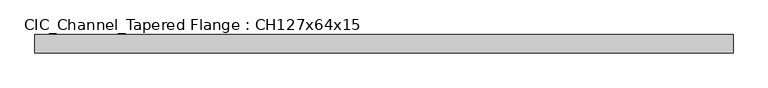
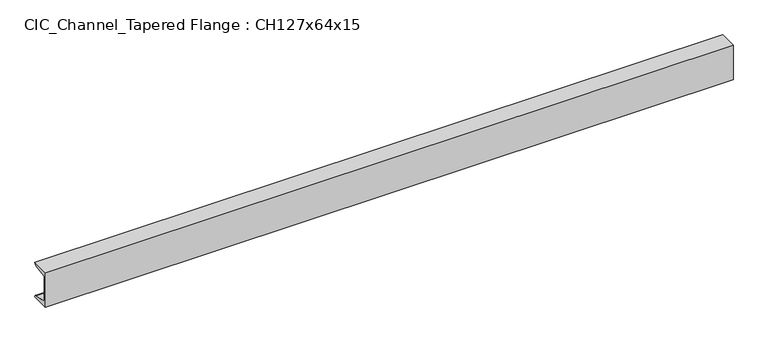
"""IFC4 building model written with IfcOpenShell, lengths in millimetres: beam geometry, CIC_Channel_Tapered Flange : CH127x64x15."""

from ifc_helpers import new_model, si_unit, point, frame, frame_2d, origin, place, context, project, spatial, polyline, circle_curve, trimmed, segment, composite_curve, outline, extrude, source, transform, mapped, element, save


def cic_channel_tapered_flange_ch127x64x15_d296bc78(model_context):
    return source(origin(), model_context, "Body", "SweptSolid", [
        extrude(outline(composite_curve([segment(polyline([(-19.4, 63.5), (44.1, 63.5)]), True, "CONTINUOUS"), segment(trimmed(circle_curve(frame_2d((34.9, 63.5)), 9.2), [point((44.1, 63.5))], [point((34.9, 54.3))], False, "CARTESIAN"), True, "CONTINUOUS"), segment(polyline([(34.9, 54.3), (-13.0, 46.7133853), (-13.0, -46.7133853), (34.9, -54.3)]), True, "CONTINUOUS"), segment(trimmed(circle_curve(frame_2d((34.9, -63.5)), 9.2), [point((34.9, -54.3))], [point((44.1, -63.5))], False, "CARTESIAN"), True, "CONTINUOUS"), segment(polyline([(44.1, -63.5), (-19.4, -63.5), (-19.4, 63.5)]), True, "CONTINUOUS")], self_intersect=False)), frame((-1198.55, 0.0, 0.0), z_axis=(1.0, 0.0, 0.0), x_axis=(0.0, 1.0, 0.0)), (0.0, 0.0, 1.0), 2397.1),
    ])


if __name__ == "__main__":
    model = new_model("IFC4")
    model_context = context("Model", 3, world=origin())
    ifc_project = project(units=[si_unit("LENGTHUNIT", "METRE", prefix="MILLI")], contexts=[model_context])
    site = spatial("IfcSite", under=ifc_project)
    building = spatial("IfcBuilding", under=site)
    placement = place(None, origin())
    cic_channel_tapered_flange_ch127x64x15_shape = cic_channel_tapered_flange_ch127x64x15_d296bc78(model_context)
    element("IfcBeam", 1, ObjectType="CIC_Channel_Tapered Flange : CH127x64x15", at=placement, inside=building, context=model_context, shape_type="MappedRepresentation", body=[
        mapped(cic_channel_tapered_flange_ch127x64x15_shape, transform((0.0, 0.0, 0.0), x_axis=(1.0, 0.0, 0.0), y_axis=(0.0, 1.0, 0.0), z_axis=(0.0, 0.0, 1.0))),
    ])
    save(model, "model.ifc")
